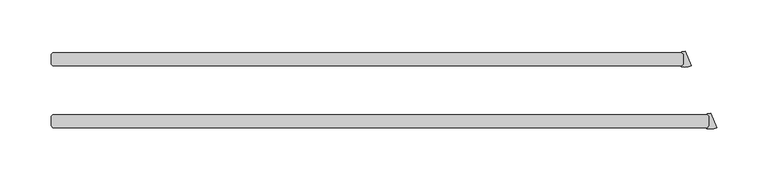
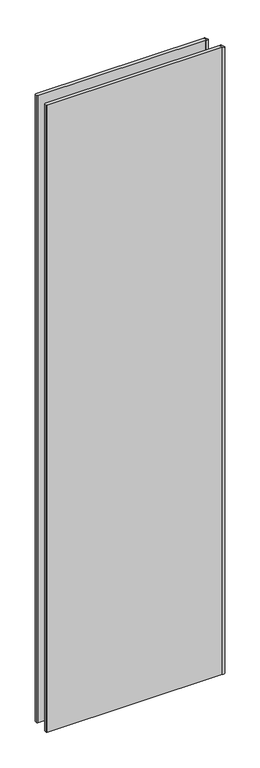
"""IFC4 building model written with IfcOpenShell, lengths in millimetres: plate geometry."""

from ifc_helpers import new_model, si_unit, point, frame_2d, origin, origin_with_axes, place, context, project, spatial, polyline, circle_curve, trimmed, segment, composite_curve, outline, extrude, source, transform, mapped, element, save


def plate_85c304d1(model_context):
    return source(origin(), model_context, "Body", "SweptSolid", [
        extrude(outline(composite_curve([segment(polyline([(299.8469084, 34.925), (298.1404415, 36.6314669)]), True, "CONTINUOUS"), segment(trimmed(circle_curve(frame_2d((298.4210745, 36.9121)), 0.396875), [point((298.1404415, 36.6314669))], [point((298.4129947, 37.3088927))], False, "CARTESIAN"), True, "CONTINUOUS"), segment(trimmed(circle_curve(frame_2d((298.2456736, 45.525915)), 8.2187257), [point((298.4129947, 37.3088927))], [point((301.3908437, 37.9328026))], True, "CARTESIAN"), True, "CONTINUOUS"), segment(polyline([(301.3908437, 37.9328026), (307.2378024, 23.8169955)]), True, "CONTINUOUS"), segment(trimmed(circle_curve(frame_2d((300.4755618, 40.1424885)), 17.6705863), [point((307.2378024, 23.8169955))], [point((297.9925665, 22.6472219))], False, "CARTESIAN"), True, "CONTINUOUS"), segment(trimmed(circle_curve(frame_2d((298.0483337, 23.0401593)), 0.396875), [point((297.9925665, 22.6472219))], [point((297.7677007, 23.3207923))], False, "CARTESIAN"), True, "CONTINUOUS"), segment(polyline([(297.7677007, 23.3207923), (299.8469084, 25.4), (299.8469084, 34.925)]), True, "CONTINUOUS")], self_intersect=False)), origin_with_axes(), (0.0, 0.0, 1.0), 2417.7625023),
        extrude(outline(composite_curve([segment(polyline([(324.8343416, -25.4), (323.1278746, -23.6935331)]), True, "CONTINUOUS"), segment(trimmed(circle_curve(frame_2d((323.4085076, -23.4129)), 0.396875), [point((323.1278746, -23.6935331))], [point((323.4004278, -23.0161073))], False, "CARTESIAN"), True, "CONTINUOUS"), segment(trimmed(circle_curve(frame_2d((323.2331067, -14.799085)), 8.2187257), [point((323.4004278, -23.0161073))], [point((326.3782769, -22.3921974))], True, "CARTESIAN"), True, "CONTINUOUS"), segment(polyline([(326.3782769, -22.3921974), (332.2252356, -36.5080045)]), True, "CONTINUOUS"), segment(trimmed(circle_curve(frame_2d((325.462995, -20.1825115)), 17.6705863), [point((332.2252356, -36.5080045))], [point((322.9799997, -37.6777781))], False, "CARTESIAN"), True, "CONTINUOUS"), segment(trimmed(circle_curve(frame_2d((323.0357669, -37.2848407)), 0.396875), [point((322.9799997, -37.6777781))], [point((322.7551339, -37.0042077))], False, "CARTESIAN"), True, "CONTINUOUS"), segment(polyline([(322.7551339, -37.0042077), (324.8343416, -34.925), (324.8343416, -25.4)]), True, "CONTINUOUS")], self_intersect=False)), origin_with_axes(), (0.0, 0.0, 1.0), 2417.7625023),
        extrude(outline(polyline([(298.2594084, 23.8125), (-315.515625, 23.8125), (-317.103125, 25.4), (-317.103125, 34.925), (-315.515625, 36.5125), (298.2594084, 36.5125), (299.8469084, 34.925), (299.8469084, 25.4), (298.2594084, 23.8125)])), origin_with_axes(), (0.0, 0.0, 1.0), 2417.7625023),
        extrude(outline(polyline([(323.2468416, -36.5125), (-315.515625, -36.5125), (-317.103125, -34.925), (-317.103125, -25.4), (-315.515625, -23.8125), (323.2468416, -23.8125), (324.8343416, -25.4), (324.8343416, -34.925), (323.2468416, -36.5125)])), origin_with_axes(), (0.0, 0.0, 1.0), 2417.7625023),
    ])


if __name__ == "__main__":
    model = new_model("IFC4")
    model_context = context("Model", 3, world=origin())
    ifc_project = project(units=[si_unit("LENGTHUNIT", "METRE", prefix="MILLI")], contexts=[model_context])
    site = spatial("IfcSite", under=ifc_project)
    building = spatial("IfcBuilding", under=site)
    placement = place(None, origin())
    plate_shape = plate_85c304d1(model_context)
    element("IfcPlate", 1, at=placement, inside=building, context=model_context, shape_type="MappedRepresentation", body=[
        mapped(plate_shape, transform((0.0, 0.0, 0.0), x_axis=(1.0, 0.0, 0.0), y_axis=(0.0, 1.0, 0.0), z_axis=(0.0, 0.0, 1.0))),
    ])
    save(model, "model.ifc")
